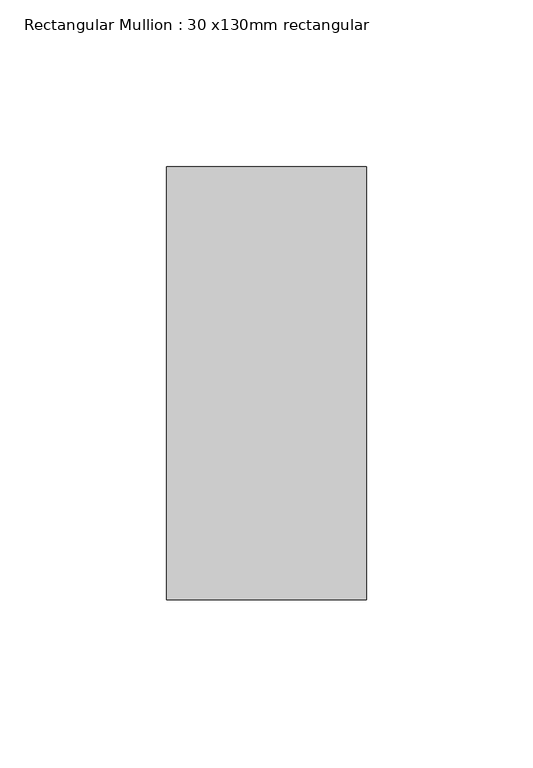
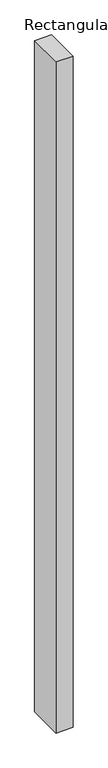
"""IFC4 building model written with IfcOpenShell, lengths in millimetres: member geometry, Rectangular Mullion : 30 x130mm rectangular."""

from ifc_helpers import new_model, si_unit, frame, origin, place, context, project, spatial, polyline, outline, extrude, source, transform, mapped, element, save


def rectangular_mullion_30_x130mm_rectangular_ffde2ad1(model_context):
    return source(origin(), model_context, "Body", "SweptSolid", [
        extrude(outline(polyline([(30.0, 65.0), (30.0, -65.0), (-30.0, -65.0), (-30.0, 65.0), (30.0, 65.0)])), frame((0.0, 0.0, -2500.0), z_axis=(0.0, 0.0, 1.0), x_axis=(1.0, 0.0, 0.0)), (0.0, 0.0, 1.0), 2500.0),
    ])


if __name__ == "__main__":
    model = new_model("IFC4")
    model_context = context("Model", 3, world=origin())
    ifc_project = project(units=[si_unit("LENGTHUNIT", "METRE", prefix="MILLI")], contexts=[model_context])
    site = spatial("IfcSite", under=ifc_project)
    building = spatial("IfcBuilding", under=site)
    placement = place(None, origin())
    rectangular_mullion_30_x130mm_rectangular_shape = rectangular_mullion_30_x130mm_rectangular_ffde2ad1(model_context)
    element("IfcMember", 1, ObjectType="Rectangular Mullion : 30 x130mm rectangular", at=placement, inside=building, context=model_context, shape_type="MappedRepresentation", body=[
        mapped(rectangular_mullion_30_x130mm_rectangular_shape, transform((0.0, 0.0, 0.0), x_axis=(1.0, 0.0, 0.0), y_axis=(0.0, 1.0, 0.0), z_axis=(0.0, 0.0, 1.0))),
    ])
    save(model, "model.ifc")
